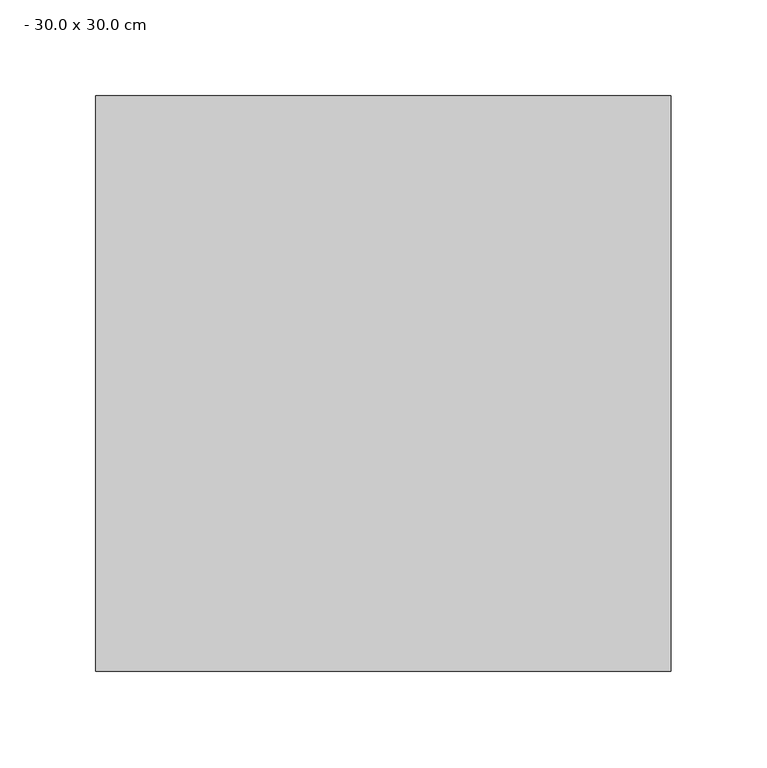
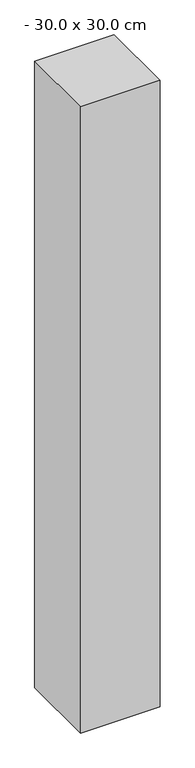
"""IFC4 building model written with IfcOpenShell, lengths in millimetres: column geometry, - 30.0 x 30.0 cm."""

import ifcopenshell
import ifcopenshell.guid

model = None  # the IFC model being written
_history = None  # IfcOwnerHistory: only IFC2X3 demands one
_inside = {}  # id of a spatial element -> (the spatial element, [elements in it])
_under = {}  # id of a project, library or spatial element -> (it, [spatial elements below it])
_declared = {}  # id of a project -> (the project, [libraries it declares])
_typed = {}  # id of a type object -> (the type object, [elements of that type])
_made_of = {}  # id of a material, layer set ... -> (it, [elements and type objects made of it])


def new_model(schema):
    """Start an empty IFC model of exactly this schema.

    Asked for "IFC4X3", IfcOpenShell would pick the latest addendum, in which some entities
    have other attributes; the version numbers below select the first issue.
    IFC2X3 requires an IfcOwnerHistory on every rooted entity: one is made here for all.
    """
    global model, _history
    if schema == "IFC4X3":
        model = ifcopenshell.file(schema_version=(4, 3, 0, 0))
    else:
        model = ifcopenshell.file(schema=schema)
    _inside.clear()
    _under.clear()
    _declared.clear()
    _typed.clear()
    _made_of.clear()
    _history = None
    if model.schema == "IFC2X3":
        org = make("IfcOrganization", Name="unknown")
        user = make(
            "IfcPersonAndOrganization",
            ThePerson=make("IfcPerson", FamilyName="unknown"),
            TheOrganization=org,
        )
        app = make(
            "IfcApplication",
            ApplicationDeveloper=org,
            Version="unknown",
            ApplicationFullName="unknown",
            ApplicationIdentifier="unknown",
        )
        _history = make(
            "IfcOwnerHistory",
            OwningUser=user,
            OwningApplication=app,
            ChangeAction="ADDED",
            CreationDate=0,
        )
    return model


def make(cls, **values):
    """One entity of the class cls with the attributes given. An attribute that is None is left unset."""
    return model.create_entity(
        cls, **{name: value for name, value in values.items() if value is not None}
    )


def rooted(cls, **values):
    """An entity with a GlobalId (a new one), such as an element, a storey or a relation."""
    return make(cls, GlobalId=ifcopenshell.guid.new(), OwnerHistory=_history, **values)


def si_unit(unit_type, name, prefix=None):
    """IfcSIUnit, for example si_unit("LENGTHUNIT", "METRE", prefix="MILLI")."""
    return make("IfcSIUnit", UnitType=unit_type, Prefix=prefix, Name=name)


def assignment(units):
    """IfcUnitAssignment: the units of a project."""
    return None if units is None else make("IfcUnitAssignment", Units=units)


def point(xyz):
    """IfcCartesianPoint."""
    return None if xyz is None else make("IfcCartesianPoint", Coordinates=xyz)


def direction(xyz):
    """IfcDirection."""
    return None if xyz is None else make("IfcDirection", DirectionRatios=xyz)


def frame(location, z_axis=None, x_axis=None):
    """IfcAxis2Placement3D, a coordinate frame: its origin and axes. An axis left out is left unset."""
    return make(
        "IfcAxis2Placement3D",
        Location=point(location),
        Axis=direction(z_axis),
        RefDirection=direction(x_axis),
    )


def origin():
    """The frame at (0, 0, 0) with its axes left unset."""
    return frame((0.0, 0.0, 0.0))


def origin_with_axes():
    """The frame at (0, 0, 0) with the z axis (0, 0, 1) and the x axis (1, 0, 0) written out."""
    return frame((0.0, 0.0, 0.0), z_axis=(0.0, 0.0, 1.0), x_axis=(1.0, 0.0, 0.0))


def place(relative_to, where):
    """IfcLocalPlacement: puts the frame where relative to a parent placement (None: the world)."""
    return make(
        "IfcLocalPlacement", PlacementRelTo=relative_to, RelativePlacement=where
    )


def context(
    kind, dimensions, precision=None, world=None, true_north=None, identifier=None
):
    """IfcGeometricRepresentationContext, for example the 3D "Model" context."""
    return make(
        "IfcGeometricRepresentationContext",
        ContextIdentifier=identifier,
        ContextType=kind,
        CoordinateSpaceDimension=dimensions,
        Precision=precision,
        WorldCoordinateSystem=world,
        TrueNorth=true_north,
    )


def project(units=None, contexts=None):
    """IfcProject with its units and contexts."""
    return rooted(
        "IfcProject",
        Name="project",
        RepresentationContexts=contexts,
        UnitsInContext=assignment(units),
    )


def spatial(cls, under=None, at=None, **own):
    """A site, building, storey or space (cls), placed at a placement, below another one or the project."""
    s = rooted(cls, ObjectPlacement=at, **own)
    if under is not None:
        _under.setdefault(under.id(), (under, []))[1].append(s)
    return s


def polyline(points):
    """IfcPolyline through the points."""
    return make("IfcPolyline", Points=[point(p) for p in points])


def outline(outer, holes=None, kind="AREA"):
    """IfcArbitraryClosedProfileDef: a profile drawn as a closed curve; with holes, ...WithVoids."""
    if holes is None:
        return make("IfcArbitraryClosedProfileDef", ProfileType=kind, OuterCurve=outer)
    return make(
        "IfcArbitraryProfileDefWithVoids",
        ProfileType=kind,
        OuterCurve=outer,
        InnerCurves=holes,
    )


def extrude(swept, where, along, depth):
    """IfcExtrudedAreaSolid: the profile swept, set in the frame where, extruded along a direction by depth."""
    return make(
        "IfcExtrudedAreaSolid",
        SweptArea=swept,
        Position=where,
        ExtrudedDirection=direction(along),
        Depth=depth,
    )


def shape(context_of_items, identifier, shape_type, items):
    """IfcShapeRepresentation: the items that make up one representation, for example the "Body"."""
    return make(
        "IfcShapeRepresentation",
        ContextOfItems=context_of_items,
        RepresentationIdentifier=identifier,
        RepresentationType=shape_type,
        Items=items,
    )


def source(mapping_origin, context_of_items, identifier, shape_type, items):
    """IfcRepresentationMap: a shape defined once, which mapped items show again and again."""
    return make(
        "IfcRepresentationMap",
        MappingOrigin=mapping_origin,
        MappedRepresentation=shape(context_of_items, identifier, shape_type, items),
    )


def transform(
    local_origin,
    x_axis=None,
    y_axis=None,
    z_axis=None,
    scale=None,
    scale2=None,
    scale3=None,
    uniform=True,
):
    """IfcCartesianTransformationOperator3D, or its non-uniform kind. x_axis, y_axis, z_axis: its Axis1, 2, 3."""
    if uniform:
        return make(
            "IfcCartesianTransformationOperator3D",
            Axis1=direction(x_axis),
            Axis2=direction(y_axis),
            LocalOrigin=point(local_origin),
            Scale=scale,
            Axis3=direction(z_axis),
        )
    return make(
        "IfcCartesianTransformationOperator3DnonUniform",
        Axis1=direction(x_axis),
        Axis2=direction(y_axis),
        LocalOrigin=point(local_origin),
        Scale=scale,
        Axis3=direction(z_axis),
        Scale2=scale2,
        Scale3=scale3,
    )


def mapped(mapping_source, mapping_target):
    """IfcMappedItem: shows the shape of a source again, moved by a transform."""
    return make(
        "IfcMappedItem", MappingSource=mapping_source, MappingTarget=mapping_target
    )


def made_of(thing, what):
    """Note that an element or type object is made of a material, layer set ...; save() writes the relation."""
    if what is not None:
        _made_of.setdefault(what.id(), (what, []))[1].append(thing)
    return thing


def element(
    cls,
    number,
    at=None,
    inside=None,
    cuts=None,
    type_object=None,
    material=None,
    context=None,
    identifier="Body",
    shape_type=None,
    held_by="IfcProductDefinitionShape",
    body=None,
    shapes=None,
    **own,
):
    """One element of the class cls, such as IfcWall. Its Tag is "e" and its number.

    at: its placement. inside: the storey or other place that contains it. cuts: it is an
    opening in that element (IfcRelVoidsElement). A single representation is given by context,
    identifier, shape_type and body (its items); several are given by shapes. held_by: the class
    of the entity that holds the representations. save() writes the other relations.
    """
    e = rooted(cls, Tag="e%d" % number, ObjectPlacement=at, **own)
    if body is not None:
        shapes = [shape(context, identifier, shape_type, body)]
    if shapes is not None:
        e.Representation = make(held_by, Representations=shapes)
    if inside is not None:
        _inside.setdefault(inside.id(), (inside, []))[1].append(e)
    if cuts is not None:
        rooted(
            "IfcRelVoidsElement", RelatingBuildingElement=cuts, RelatedOpeningElement=e
        )
    if type_object is not None:
        _typed.setdefault(type_object.id(), (type_object, []))[1].append(e)
    return made_of(e, material)


def aggregate(whole, parts):
    """IfcRelAggregates: a whole, such as a stair, and the parts it consists of."""
    return rooted("IfcRelAggregates", RelatingObject=whole, RelatedObjects=parts)


def save(model, path):
    """Write the relations noted so far, then the file.

    IfcRelAggregates (storeys below a building ...), IfcRelContainedInSpatialStructure (elements
    in a storey), IfcRelDefinesByType, IfcRelAssociatesMaterial and IfcRelDeclares: one each for
    every whole, place, type object, material and project.
    """
    for whole, parts in _under.values():
        aggregate(whole, parts)
    for where, things in _inside.values():
        rooted(
            "IfcRelContainedInSpatialStructure",
            RelatedElements=things,
            RelatingStructure=where,
        )
    for kind, things in _typed.values():
        rooted("IfcRelDefinesByType", RelatedObjects=things, RelatingType=kind)
    for what, things in _made_of.values():
        rooted("IfcRelAssociatesMaterial", RelatedObjects=things, RelatingMaterial=what)
    for by, libraries in _declared.values():
        rooted("IfcRelDeclares", RelatingContext=by, RelatedDefinitions=libraries)
    model.write(path)


def column_30_0_x_30_0_cm_4ad6095c(model_context):
    return source(origin(), model_context, "Body", "SweptSolid", [
        extrude(outline(polyline([(75.0, 150.0), (75.0, -150.0), (-225.0, -150.0), (-225.0, 150.0), (75.0, 150.0)])), origin_with_axes(), (0.0, 0.0, 1.0), 2500.0),
    ])


if __name__ == "__main__":
    model = new_model("IFC4")
    model_context = context("Model", 3, world=origin())
    ifc_project = project(units=[si_unit("LENGTHUNIT", "METRE", prefix="MILLI")], contexts=[model_context])
    site = spatial("IfcSite", under=ifc_project)
    building = spatial("IfcBuilding", under=site)
    placement = place(None, origin())
    column_30_0_x_30_0_cm_shape = column_30_0_x_30_0_cm_4ad6095c(model_context)
    element("IfcColumn", 1, ObjectType="- 30.0 x 30.0 cm", at=placement, inside=building, context=model_context, shape_type="MappedRepresentation", body=[
        mapped(column_30_0_x_30_0_cm_shape, transform((0.0, 0.0, 0.0), x_axis=(1.0, 0.0, 0.0), y_axis=(0.0, 1.0, 0.0), z_axis=(0.0, 0.0, 1.0))),
    ])
    save(model, "model.ifc")
